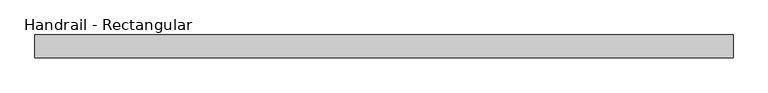
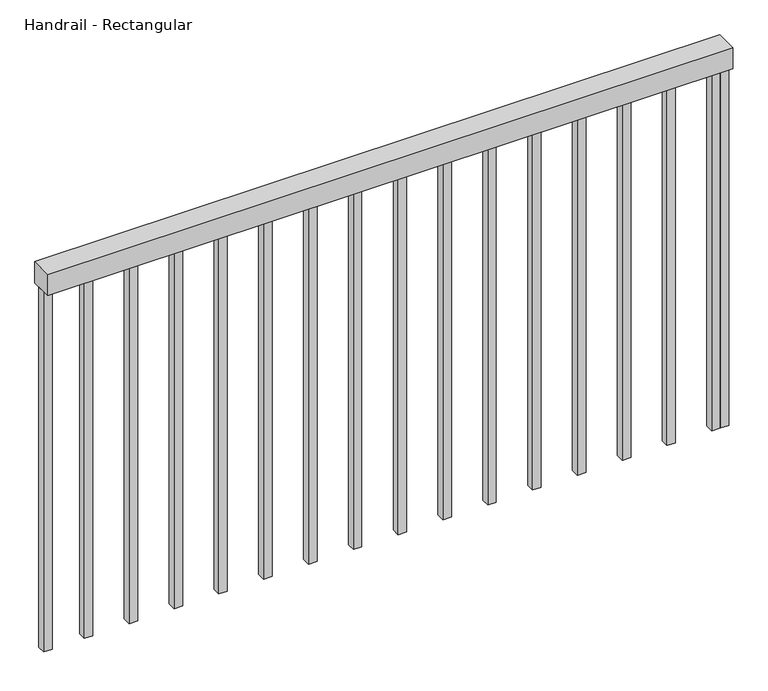
"""IFC4 building model written with IfcOpenShell, lengths in millimetres: railing geometry, Handrail - Rectangular."""

from ifc_helpers import new_model, si_unit, frame, origin, place, context, project, spatial, polyline, outline, extrude, source, transform, mapped, element, save


def handrail_rectangular_6687abbc(model_context):
    return source(origin(), model_context, "Body", "SweptSolid", [
        extrude(outline(polyline([(-9790.9198081, -1088.9264951), (-9790.9198081, -1038.1264951), (-8238.5198081, -1038.1264951), (-8238.5198081, -1088.9264951), (-9790.9198081, -1088.9264951)])), frame((0.0, 0.0, 6951.6), z_axis=(0.0, 0.0, 1.0), x_axis=(1.0, 0.0, 0.0)), (0.0, 0.0, 1.0), 50.8),
        extrude(outline(polyline([(-8276.4448081, -1073.0514951), (-8276.4448081, -1054.0014951), (-8257.3948081, -1054.0014951), (-8257.3948081, -1073.0514951), (-8276.4448081, -1073.0514951)])), frame((0.0, 0.0, 6088.0), z_axis=(0.0, 0.0, 1.0), x_axis=(1.0, 0.0, 0.0)), (0.0, 0.0, 1.0), 863.6),
        extrude(outline(polyline([(-8378.0448081, -1073.0514951), (-8378.0448081, -1054.0014951), (-8358.9948081, -1054.0014951), (-8358.9948081, -1073.0514951), (-8378.0448081, -1073.0514951)])), frame((0.0, 0.0, 6088.0), z_axis=(0.0, 0.0, 1.0), x_axis=(1.0, 0.0, 0.0)), (0.0, 0.0, 1.0), 863.6),
        extrude(outline(polyline([(-8479.6448081, -1073.0514951), (-8479.6448081, -1054.0014951), (-8460.5948081, -1054.0014951), (-8460.5948081, -1073.0514951), (-8479.6448081, -1073.0514951)])), frame((0.0, 0.0, 6088.0), z_axis=(0.0, 0.0, 1.0), x_axis=(1.0, 0.0, 0.0)), (0.0, 0.0, 1.0), 863.6),
        extrude(outline(polyline([(-8581.2448081, -1073.0514951), (-8581.2448081, -1054.0014951), (-8562.1948081, -1054.0014951), (-8562.1948081, -1073.0514951), (-8581.2448081, -1073.0514951)])), frame((0.0, 0.0, 6088.0), z_axis=(0.0, 0.0, 1.0), x_axis=(1.0, 0.0, 0.0)), (0.0, 0.0, 1.0), 863.6),
        extrude(outline(polyline([(-8682.8448081, -1073.0514951), (-8682.8448081, -1054.0014951), (-8663.7948081, -1054.0014951), (-8663.7948081, -1073.0514951), (-8682.8448081, -1073.0514951)])), frame((0.0, 0.0, 6088.0), z_axis=(0.0, 0.0, 1.0), x_axis=(1.0, 0.0, 0.0)), (0.0, 0.0, 1.0), 863.6),
        extrude(outline(polyline([(-8784.4448081, -1073.0514951), (-8784.4448081, -1054.0014951), (-8765.3948081, -1054.0014951), (-8765.3948081, -1073.0514951), (-8784.4448081, -1073.0514951)])), frame((0.0, 0.0, 6088.0), z_axis=(0.0, 0.0, 1.0), x_axis=(1.0, 0.0, 0.0)), (0.0, 0.0, 1.0), 863.6),
        extrude(outline(polyline([(-8886.0448081, -1073.0514951), (-8886.0448081, -1054.0014951), (-8866.9948081, -1054.0014951), (-8866.9948081, -1073.0514951), (-8886.0448081, -1073.0514951)])), frame((0.0, 0.0, 6088.0), z_axis=(0.0, 0.0, 1.0), x_axis=(1.0, 0.0, 0.0)), (0.0, 0.0, 1.0), 863.6),
        extrude(outline(polyline([(-8987.6448081, -1073.0514951), (-8987.6448081, -1054.0014951), (-8968.5948081, -1054.0014951), (-8968.5948081, -1073.0514951), (-8987.6448081, -1073.0514951)])), frame((0.0, 0.0, 6088.0), z_axis=(0.0, 0.0, 1.0), x_axis=(1.0, 0.0, 0.0)), (0.0, 0.0, 1.0), 863.6),
        extrude(outline(polyline([(-9089.2448081, -1073.0514951), (-9089.2448081, -1054.0014951), (-9070.1948081, -1054.0014951), (-9070.1948081, -1073.0514951), (-9089.2448081, -1073.0514951)])), frame((0.0, 0.0, 6088.0), z_axis=(0.0, 0.0, 1.0), x_axis=(1.0, 0.0, 0.0)), (0.0, 0.0, 1.0), 863.6),
        extrude(outline(polyline([(-9190.8448081, -1073.0514951), (-9190.8448081, -1054.0014951), (-9171.7948081, -1054.0014951), (-9171.7948081, -1073.0514951), (-9190.8448081, -1073.0514951)])), frame((0.0, 0.0, 6088.0), z_axis=(0.0, 0.0, 1.0), x_axis=(1.0, 0.0, 0.0)), (0.0, 0.0, 1.0), 863.6),
        extrude(outline(polyline([(-9292.4448081, -1073.0514951), (-9292.4448081, -1054.0014951), (-9273.3948081, -1054.0014951), (-9273.3948081, -1073.0514951), (-9292.4448081, -1073.0514951)])), frame((0.0, 0.0, 6088.0), z_axis=(0.0, 0.0, 1.0), x_axis=(1.0, 0.0, 0.0)), (0.0, 0.0, 1.0), 863.6),
        extrude(outline(polyline([(-9394.0448081, -1073.0514951), (-9394.0448081, -1054.0014951), (-9374.9948081, -1054.0014951), (-9374.9948081, -1073.0514951), (-9394.0448081, -1073.0514951)])), frame((0.0, 0.0, 6088.0), z_axis=(0.0, 0.0, 1.0), x_axis=(1.0, 0.0, 0.0)), (0.0, 0.0, 1.0), 863.6),
        extrude(outline(polyline([(-9495.6448081, -1073.0514951), (-9495.6448081, -1054.0014951), (-9476.5948081, -1054.0014951), (-9476.5948081, -1073.0514951), (-9495.6448081, -1073.0514951)])), frame((0.0, 0.0, 6088.0), z_axis=(0.0, 0.0, 1.0), x_axis=(1.0, 0.0, 0.0)), (0.0, 0.0, 1.0), 863.6),
        extrude(outline(polyline([(-9597.2448081, -1073.0514951), (-9597.2448081, -1054.0014951), (-9578.1948081, -1054.0014951), (-9578.1948081, -1073.0514951), (-9597.2448081, -1073.0514951)])), frame((0.0, 0.0, 6088.0), z_axis=(0.0, 0.0, 1.0), x_axis=(1.0, 0.0, 0.0)), (0.0, 0.0, 1.0), 863.6),
        extrude(outline(polyline([(-9698.8448081, -1073.0514951), (-9698.8448081, -1054.0014951), (-9679.7948081, -1054.0014951), (-9679.7948081, -1073.0514951), (-9698.8448081, -1073.0514951)])), frame((0.0, 0.0, 6088.0), z_axis=(0.0, 0.0, 1.0), x_axis=(1.0, 0.0, 0.0)), (0.0, 0.0, 1.0), 863.6),
        extrude(outline(polyline([(-8257.5698081, -1073.0514951), (-8257.5698081, -1054.0014951), (-8238.5198081, -1054.0014951), (-8238.5198081, -1073.0514951), (-8257.5698081, -1073.0514951)])), frame((0.0, 0.0, 6088.0), z_axis=(0.0, 0.0, 1.0), x_axis=(1.0, 0.0, 0.0)), (0.0, 0.0, 1.0), 863.6),
        extrude(outline(polyline([(-9790.9198081, -1073.0514951), (-9790.9198081, -1054.0014951), (-9771.8698081, -1054.0014951), (-9771.8698081, -1073.0514951), (-9790.9198081, -1073.0514951)])), frame((0.0, 0.0, 6088.0), z_axis=(0.0, 0.0, 1.0), x_axis=(1.0, 0.0, 0.0)), (0.0, 0.0, 1.0), 863.6),
    ])


if __name__ == "__main__":
    model = new_model("IFC4")
    model_context = context("Model", 3, world=origin())
    ifc_project = project(units=[si_unit("LENGTHUNIT", "METRE", prefix="MILLI")], contexts=[model_context])
    site = spatial("IfcSite", under=ifc_project)
    building = spatial("IfcBuilding", under=site)
    placement = place(None, origin())
    handrail_rectangular_shape = handrail_rectangular_6687abbc(model_context)
    element("IfcRailing", 1, ObjectType="Handrail - Rectangular", at=placement, inside=building, context=model_context, shape_type="MappedRepresentation", body=[
        mapped(handrail_rectangular_shape, transform((0.0, 0.0, 0.0), x_axis=(1.0, 0.0, 0.0), y_axis=(0.0, 1.0, 0.0), z_axis=(0.0, 0.0, 1.0))),
    ])
    save(model, "model.ifc")
